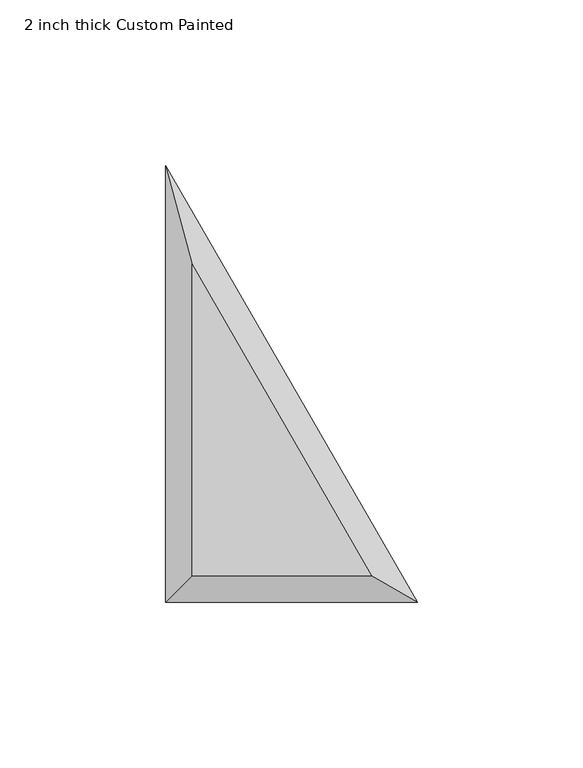
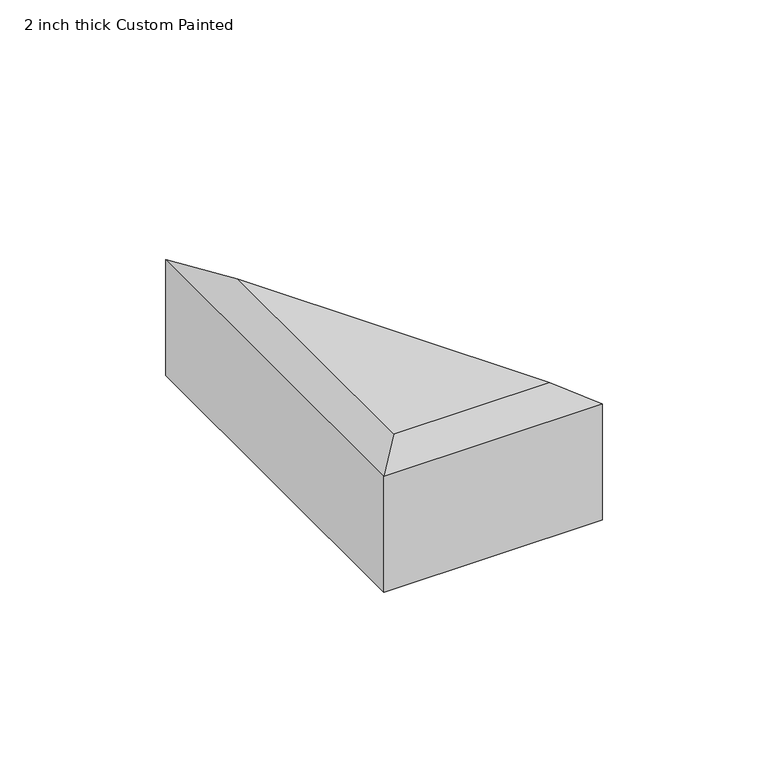
"""IFC4 building model written with IfcOpenShell, lengths in millimetres: proxy geometry, 2 inch thick Custom Painted."""

from ifc_helpers import new_model, si_unit, origin, place, context, project, spatial, faceted_brep, source, transform, mapped, element, save


def proxy_2_inch_thick_custom_painted_2e17a6e0(model_context):
    return source(origin(), model_context, "Body", "Brep", [
        faceted_brep([(8.001, 102.122133, 50.8), (8.001, 8.001, 50.8), (62.3418615, 8.001, 50.8), (76.2, 0.0, 0.0), (0.0, 0.0, 0.0), (0.0, 131.9822715, 0.0), (76.2, 0.0, 42.799), (0.0, 0.0, 42.799), (0.0, 131.9822715, 42.799)], [[[0, 1, 2]], [[3, 4, 5]], [[4, 3, 6, 7]], [[3, 5, 8, 6]], [[5, 4, 7, 8]], [[7, 1, 0, 8]], [[1, 7, 6, 2]], [[8, 0, 2, 6]]]),
    ])


if __name__ == "__main__":
    model = new_model("IFC4")
    model_context = context("Model", 3, world=origin())
    ifc_project = project(units=[si_unit("LENGTHUNIT", "METRE", prefix="MILLI")], contexts=[model_context])
    site = spatial("IfcSite", under=ifc_project)
    building = spatial("IfcBuilding", under=site)
    placement = place(None, origin())
    proxy_2_inch_thick_custom_painted_shape = proxy_2_inch_thick_custom_painted_2e17a6e0(model_context)
    element("IfcBuildingElementProxy", 1, Name="2 inch thick Custom Painted", ObjectType="2 inch thick Custom Painted", at=placement, inside=building, context=model_context, shape_type="MappedRepresentation", body=[
        mapped(proxy_2_inch_thick_custom_painted_shape, transform((0.0, 0.0, 0.0), x_axis=(1.0, 0.0, 0.0), y_axis=(0.0, 1.0, 0.0), z_axis=(0.0, 0.0, 1.0))),
    ])
    save(model, "model.ifc")
